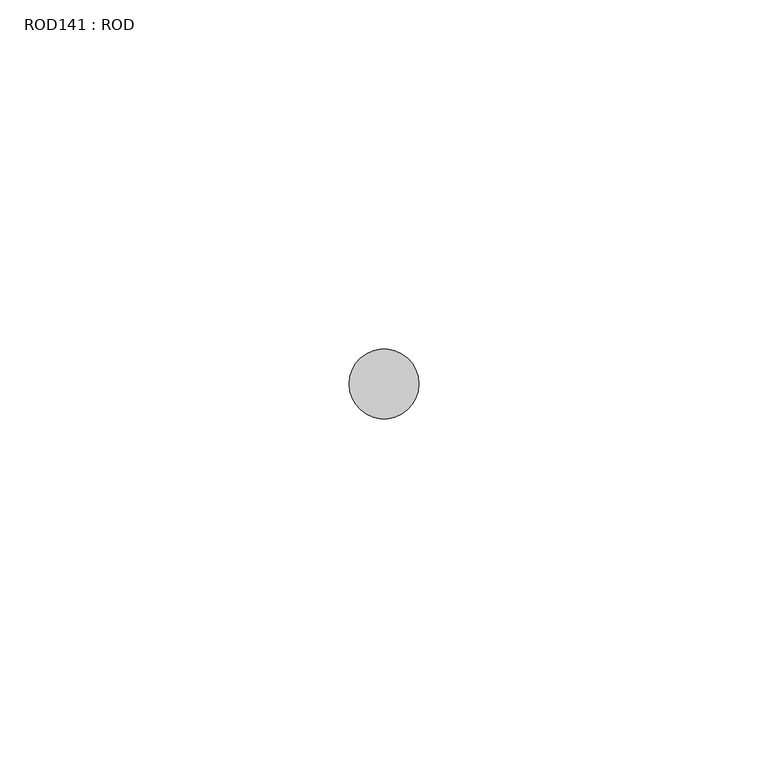
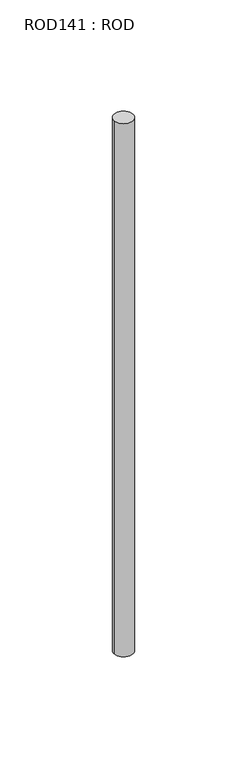
"""IFC4 building model written with IfcOpenShell, lengths in millimetres: proxy geometry, ROD141 : ROD."""

from ifc_helpers import new_model, si_unit, point, frame, frame_2d, origin, place, context, project, spatial, circle_curve, trimmed, segment, composite_curve, outline, extrude, source, transform, mapped, element, save


def rod141_rod_7c44a1b6(model_context):
    return source(origin(), model_context, "Body", "SweptSolid", [
        extrude(outline(composite_curve([segment(trimmed(circle_curve(frame_2d((-2040.2326676, -23605.8050304)), 5.0), [point((-2045.2326676, -23605.8050304))], [point((-2035.2326676, -23605.8050304))], False, "CARTESIAN"), True, "CONTINUOUS"), segment(trimmed(circle_curve(frame_2d((-2040.2326676, -23605.8050304)), 5.0), [point((-2035.2326676, -23605.8050304))], [point((-2045.2326676, -23605.8050304))], False, "CARTESIAN"), True, "CONTINUOUS")], self_intersect=False)), frame((0.0, 0.0, 166.3391155), z_axis=(0.0, 0.0, 1.0), x_axis=(1.0, 0.0, 0.0)), (0.0, 0.0, 1.0), 298.9028972),
    ])


if __name__ == "__main__":
    model = new_model("IFC4")
    model_context = context("Model", 3, world=origin())
    ifc_project = project(units=[si_unit("LENGTHUNIT", "METRE", prefix="MILLI")], contexts=[model_context])
    site = spatial("IfcSite", under=ifc_project)
    building = spatial("IfcBuilding", under=site)
    placement = place(None, origin())
    rod141_rod_shape = rod141_rod_7c44a1b6(model_context)
    element("IfcBuildingElementProxy", 1, Name="ROD141 : ROD", ObjectType="ROD141 : ROD", at=placement, inside=building, context=model_context, shape_type="MappedRepresentation", body=[
        mapped(rod141_rod_shape, transform((0.0, 0.0, 0.0), x_axis=(1.0, 0.0, 0.0), y_axis=(0.0, 1.0, 0.0), z_axis=(0.0, 0.0, 1.0))),
    ])
    save(model, "model.ifc")
